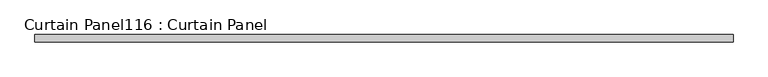
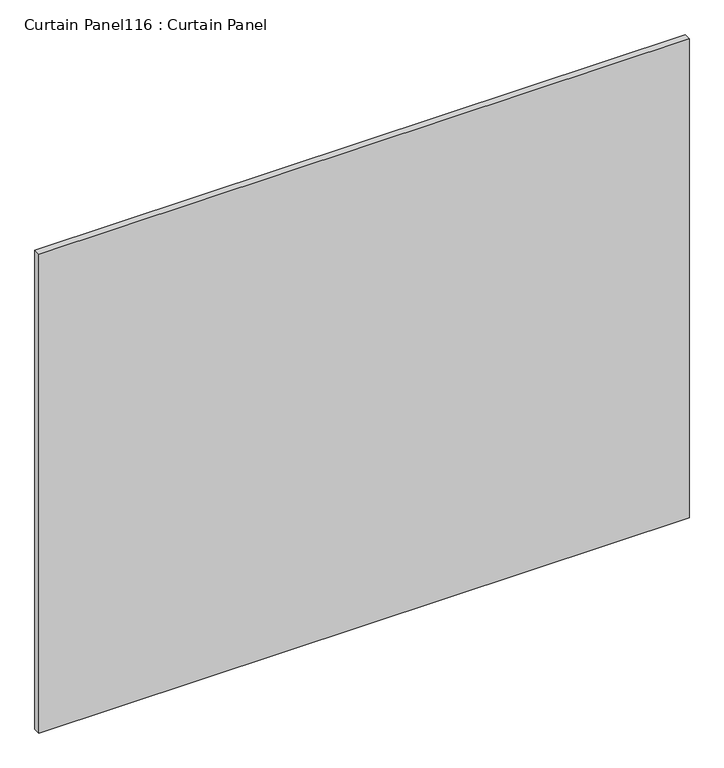
"""IFC4 building model written with IfcOpenShell, lengths in millimetres: plate geometry, Curtain Panel116 : Curtain Panel."""

from ifc_helpers import new_model, si_unit, frame, origin, place, context, project, spatial, polyline, outline, extrude, source, transform, mapped, element, save


def curtain_panel116_curtain_panel_e1b86b3e(model_context):
    return source(origin(), model_context, "Body", "SweptSolid", [
        extrude(outline(polyline([(260336.9386393, 2417.6234836), (257898.5386393, 2417.6234836), (257898.5386393, 2443.0234836), (260336.9386393, 2443.0234836), (260336.9386393, 2417.6234836)])), frame((0.0, 0.0, 21877.5697289), z_axis=(0.0, 0.0, 1.0), x_axis=(1.0, 0.0, 0.0)), (0.0, 0.0, 1.0), 1898.8917218),
    ])


if __name__ == "__main__":
    model = new_model("IFC4")
    model_context = context("Model", 3, world=origin())
    ifc_project = project(units=[si_unit("LENGTHUNIT", "METRE", prefix="MILLI")], contexts=[model_context])
    site = spatial("IfcSite", under=ifc_project)
    building = spatial("IfcBuilding", under=site)
    placement = place(None, origin())
    curtain_panel116_curtain_panel_shape = curtain_panel116_curtain_panel_e1b86b3e(model_context)
    element("IfcPlate", 1, ObjectType="Curtain Panel116 : Curtain Panel", at=placement, inside=building, context=model_context, shape_type="MappedRepresentation", body=[
        mapped(curtain_panel116_curtain_panel_shape, transform((0.0, 0.0, 0.0), x_axis=(1.0, 0.0, 0.0), y_axis=(0.0, 1.0, 0.0), z_axis=(0.0, 0.0, 1.0))),
    ])
    save(model, "model.ifc")
